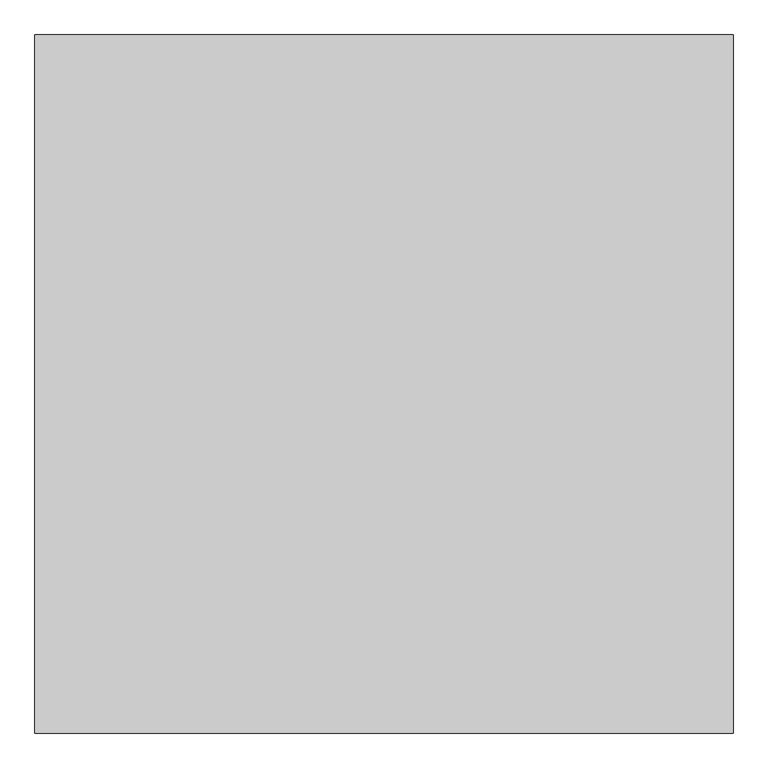
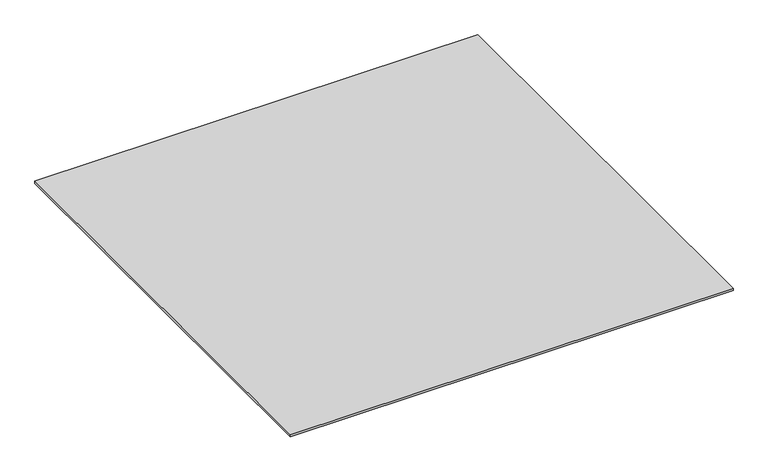
"""IFC4 building model written with IfcOpenShell, lengths in millimetres: proxy geometry."""

from ifc_helpers import new_model, si_unit, origin, origin_with_axes, place, context, project, spatial, polyline, outline, extrude, source, transform, mapped, element, save


def generic_models_7a0d2942(model_context):
    return source(origin(), model_context, "Body", "SweptSolid", [
        extrude(outline(polyline([(7403.0762132, -24287.355679), (7403.0762132, -25287.355679), (6403.0762132, -25287.355679), (6403.0762132, -24287.355679), (7403.0762132, -24287.355679)])), origin_with_axes(), (0.0, 0.0, 1.0), 5.0),
    ])


if __name__ == "__main__":
    model = new_model("IFC4")
    model_context = context("Model", 3, world=origin())
    ifc_project = project(units=[si_unit("LENGTHUNIT", "METRE", prefix="MILLI")], contexts=[model_context])
    site = spatial("IfcSite", under=ifc_project)
    building = spatial("IfcBuilding", under=site)
    placement = place(None, origin())
    generic_models_shape = generic_models_7a0d2942(model_context)
    element("IfcBuildingElementProxy", 1, Name="Generic Models", at=placement, inside=building, context=model_context, shape_type="MappedRepresentation", body=[
        mapped(generic_models_shape, transform((0.0, 0.0, 0.0), x_axis=(1.0, 0.0, 0.0), y_axis=(0.0, 1.0, 0.0), z_axis=(0.0, 0.0, 1.0))),
    ])
    save(model, "model.ifc")
